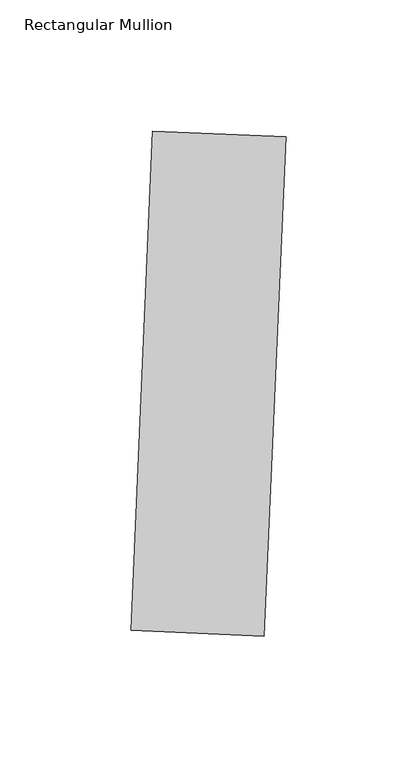
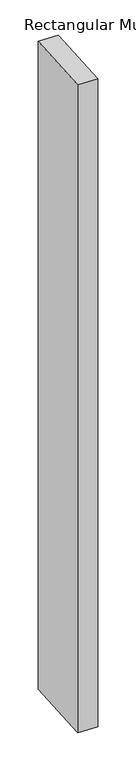
"""IFC4 building model written with IfcOpenShell, lengths in millimetres: member geometry, Rectangular Mullion."""

from ifc_helpers import new_model, si_unit, frame, origin, place, context, project, spatial, polyline, outline, extrude, source, transform, mapped, element, save


def rectangular_mullion_a03a7587(model_context):
    return source(origin(), model_context, "Body", "SweptSolid", [
        extrude(outline(polyline([(18.3127555, -162.8788157), (-32.4388941, -160.6629508), (-24.1294008, 29.6557354), (26.6222488, 27.4398705), (18.3127555, -162.8788157)])), frame((0.0, 0.0, -1765.3), z_axis=(0.0, 0.0, 1.0), x_axis=(1.0, 0.0, 0.0)), (0.0, 0.0, 1.0), 1765.3),
    ])


if __name__ == "__main__":
    model = new_model("IFC4")
    model_context = context("Model", 3, world=origin())
    ifc_project = project(units=[si_unit("LENGTHUNIT", "METRE", prefix="MILLI")], contexts=[model_context])
    site = spatial("IfcSite", under=ifc_project)
    building = spatial("IfcBuilding", under=site)
    placement = place(None, origin())
    rectangular_mullion_shape = rectangular_mullion_a03a7587(model_context)
    element("IfcMember", 1, ObjectType="Rectangular Mullion", at=placement, inside=building, context=model_context, shape_type="MappedRepresentation", body=[
        mapped(rectangular_mullion_shape, transform((0.0, 0.0, 0.0), x_axis=(1.0, 0.0, 0.0), y_axis=(0.0, 1.0, 0.0), z_axis=(0.0, 0.0, 1.0))),
    ])
    save(model, "model.ifc")
